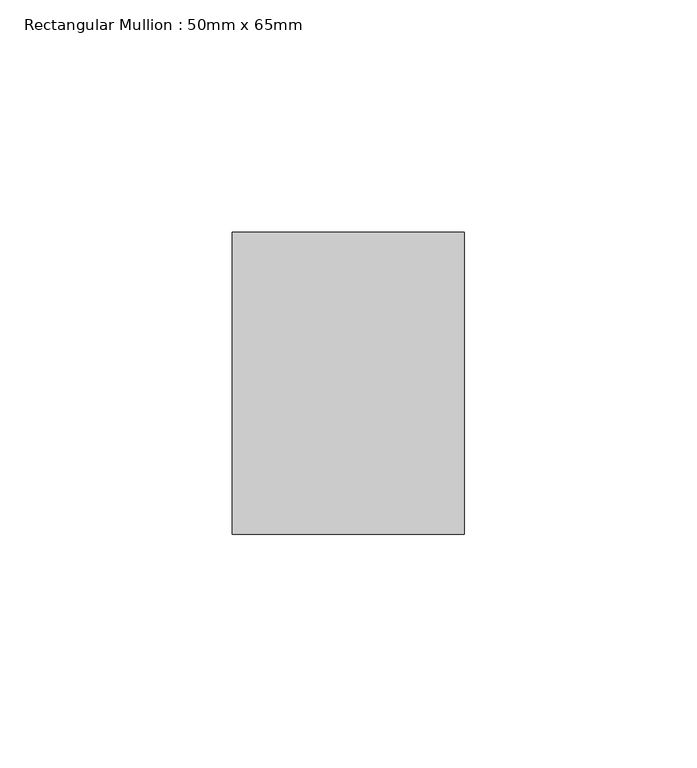
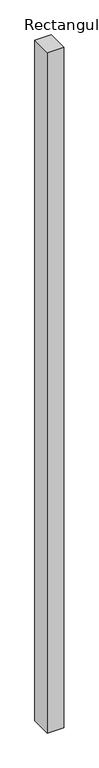
"""IFC4 building model written with IfcOpenShell, lengths in millimetres: member geometry, Rectangular Mullion : 50mm x 65mm."""

from ifc_helpers import new_model, si_unit, frame, origin, place, context, project, spatial, polyline, outline, extrude, source, transform, mapped, element, save


def rectangular_mullion_50mm_x_65mm_1737163d(model_context):
    return source(origin(), model_context, "Body", "SweptSolid", [
        extrude(outline(polyline([(25.0, 32.5), (25.0, -32.5), (-25.0, -32.5), (-25.0, 32.5), (25.0, 32.5)])), frame((0.0, 0.0, -2186.9740565), z_axis=(0.0, 0.0, 1.0), x_axis=(1.0, 0.0, 0.0)), (0.0, 0.0, 1.0), 2186.9740565),
    ])


if __name__ == "__main__":
    model = new_model("IFC4")
    model_context = context("Model", 3, world=origin())
    ifc_project = project(units=[si_unit("LENGTHUNIT", "METRE", prefix="MILLI")], contexts=[model_context])
    site = spatial("IfcSite", under=ifc_project)
    building = spatial("IfcBuilding", under=site)
    placement = place(None, origin())
    rectangular_mullion_50mm_x_65mm_shape = rectangular_mullion_50mm_x_65mm_1737163d(model_context)
    element("IfcMember", 1, ObjectType="Rectangular Mullion : 50mm x 65mm", at=placement, inside=building, context=model_context, shape_type="MappedRepresentation", body=[
        mapped(rectangular_mullion_50mm_x_65mm_shape, transform((0.0, 0.0, 0.0), x_axis=(1.0, 0.0, 0.0), y_axis=(0.0, 1.0, 0.0), z_axis=(0.0, 0.0, 1.0))),
    ])
    save(model, "model.ifc")
